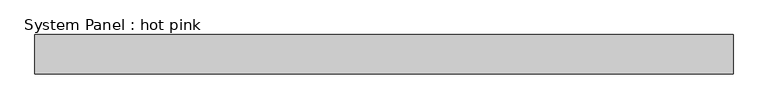
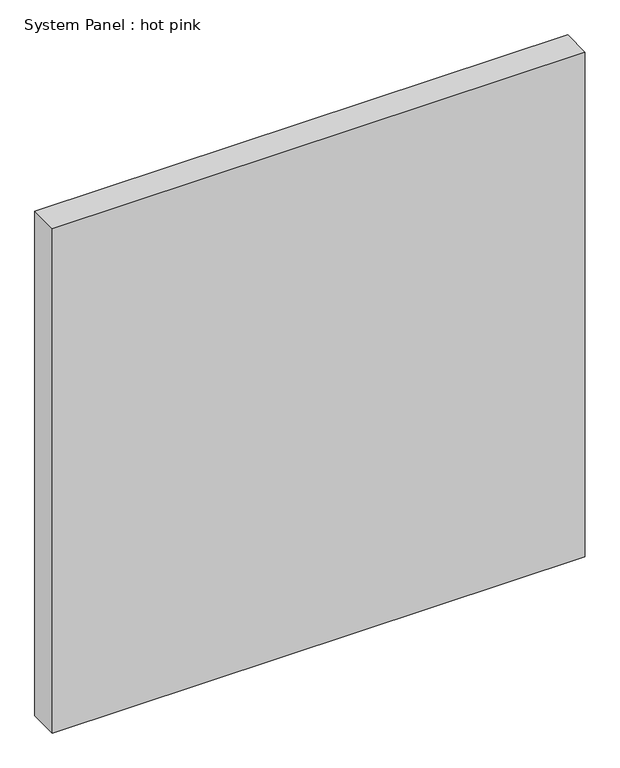
"""IFC4 building model written with IfcOpenShell, lengths in millimetres: plate geometry, System Panel : hot pink."""

from ifc_helpers import new_model, si_unit, origin, origin_with_axes, place, context, project, spatial, polyline, outline, extrude, source, transform, mapped, element, save


def system_panel_hot_pink_9d13fb8b(model_context):
    return source(origin(), model_context, "Body", "SweptSolid", [
        extrude(outline(polyline([(561.975, -44.45), (-561.975, -44.45), (-561.975, 19.05), (561.975, 19.05), (561.975, -44.45)])), origin_with_axes(), (0.0, 0.0, 1.0), 1123.95),
    ])


if __name__ == "__main__":
    model = new_model("IFC4")
    model_context = context("Model", 3, world=origin())
    ifc_project = project(units=[si_unit("LENGTHUNIT", "METRE", prefix="MILLI")], contexts=[model_context])
    site = spatial("IfcSite", under=ifc_project)
    building = spatial("IfcBuilding", under=site)
    placement = place(None, origin())
    system_panel_hot_pink_shape = system_panel_hot_pink_9d13fb8b(model_context)
    element("IfcPlate", 1, ObjectType="System Panel : hot pink", at=placement, inside=building, context=model_context, shape_type="MappedRepresentation", body=[
        mapped(system_panel_hot_pink_shape, transform((0.0, 0.0, 0.0), x_axis=(1.0, 0.0, 0.0), y_axis=(0.0, 1.0, 0.0), z_axis=(0.0, 0.0, 1.0))),
    ])
    save(model, "model.ifc")
